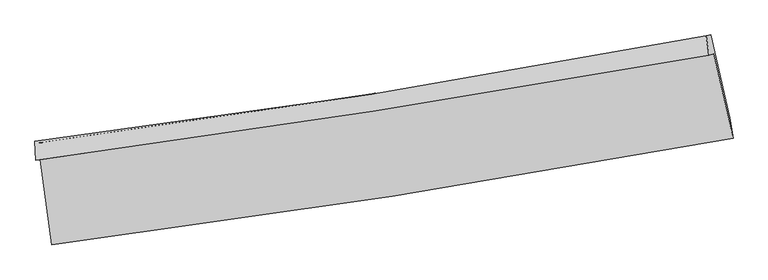
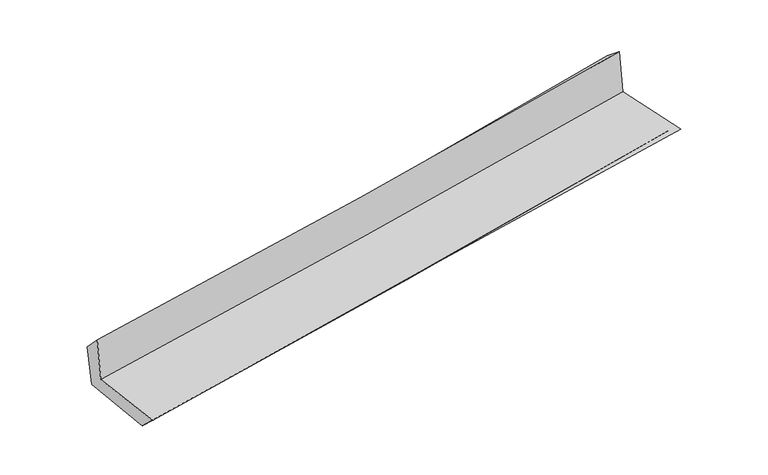
"""IFC4 building model written with IfcOpenShell, lengths in millimetres: proxy geometry."""

from ifc_helpers import new_model, si_unit, frame, origin, place, context, project, spatial, source, transform, mapped, element, save
from ifc_brep_helpers import plane_surface, spline_curve, spline_surface, advanced_brep


def generic_models_551c6da7(model_context):
    return source(origin(), model_context, "Body", "AdvancedBrep", [
        advanced_brep(
        [(-2602.8360463, -1898.8376894, 1677.8763236), (-2514.3932976, -2549.1010179, 1655.9084509), (2693.03676, -1735.7422314, 2101.7194304), (2545.4557271, -1091.5027038, 2118.3327603), (-2638.096118, -1904.9513664, 2070.1648027), (2508.8309741, -1099.5554921, 2517.9562474), (-2643.5088332, -1759.0184638, 1918.1068861), (2486.9532598, -951.7499419, 2397.2408551), (-2608.8428904, -1768.2748594, 1554.4943496), (2521.5008309, -945.7538548, 2024.0502812), (-2520.8071554, -2402.1242618, 1513.229219), (2667.6595369, -1579.6982134, 1997.9734387)],
        [
            (0, 1),
            (1, 2, spline_curve(3, [(-2514.3932976, -2549.1010179, 1655.9084509), (-1646.503839305, -2438.168432815, 1758.002674756), (-778.635424601, -2314.927560355, 1846.19915725), (957.174599994, -2043.811235322, 1994.80650987), (1825.116204757, -1895.932512022, 2055.213686869), (2693.03676, -1735.7422314, 2101.7194304)], [4, 2, 4], [0.0, 8.628535381584344, 17.258216963377876])),
            (2, 3),
            (3, 0, spline_curve(3, [(2545.4557271, -1091.5027038, 2118.3327603), (1689.942521002, -1243.832344106, 2049.739488288), (833.133023955, -1387.27895771, 1978.73555146), (-882.964578358, -1656.388260262, 1831.916098918), (-1742.252339, -1782.053308126, 1756.10122352), (-2602.8360463, -1898.8376894, 1677.8763236)], [4, 2, 4], [0.0, 8.629681581793532, 17.258216963377876])),
            (4, 0),
            (3, 5),
            (5, 4, spline_curve(3, [(2508.8309741, -1099.5554921, 2517.9562474), (1653.994838298, -1250.910370596, 2442.169842257), (797.637592197, -1393.708021951, 2366.958245693), (-918.005175807, -1662.171040344, 2217.694583616), (-1777.290293896, -1787.838680441, 2143.642365016), (-2638.096118, -1904.9513664, 2070.1648027)], [4, 2, 4], [0.0, 8.57922616796624, 17.15731283724586])),
            (6, 4),
            (5, 7),
            (7, 6, spline_curve(3, [(2486.9532598, -951.7499419, 2397.2408551), (1637.360166813, -1114.634000986, 2315.09162483), (784.996533962, -1263.351934456, 2234.086603134), (-925.158233056, -1532.437679081, 2074.375584234), (-1782.948631033, -1652.809252866, 1995.669282804), (-2643.5088332, -1759.0184638, 1918.1068861)], [4, 2, 4], [0.0, 8.568012179764708, 17.134886350292376])),
            (8, 6),
            (7, 9),
            (9, 8, spline_curve(3, [(2521.5008309, -945.7538548, 2024.0502812), (1671.200798446, -1106.122736081, 1943.718505077), (818.493584388, -1254.854373032, 1864.420425881), (-891.621628509, -1529.024950397, 1707.902056848), (-1749.028988653, -1654.466981284, 1630.681492084), (-2608.8428904, -1768.2748594, 1554.4943496)], [4, 2, 4], [0.0, 8.558676862611545, 17.11621695590926])),
            (10, 8),
            (9, 11),
            (11, 10, spline_curve(3, [(2667.6595369, -1579.6982134, 1997.9734387), (1804.405910467, -1734.431762749, 1921.760423791), (940.378105269, -1880.338007207, 1843.255729571), (-789.110997678, -2154.477678475, 1681.673714258), (-1654.572090227, -2282.71345038, 1598.597001897), (-2520.8071554, -2402.1242618, 1513.229219)], [4, 2, 4], [0.0, 8.607299819061074, 17.21345641067399])),
            (1, 10),
            (11, 2),
        ],
        [
            spline_surface(3, 3, [[(-2602.8360463, -1898.8376894, 1677.8763236), (-1742.252338958, -1782.053308159, 1756.10122355), (-882.964578271, -1656.388260162, 1831.916098912), (833.133023868, -1387.27895781, 1978.735551465), (1689.942520954, -1243.832343997, 2049.739488356), (2545.4557271, -1091.5027038, 2118.3327603)], [(-2573.355130052, -2115.592132222, 1670.553699375), (-1710.336172384, -2000.758349685, 1756.73504062), (-848.188193746, -1875.901360239, 1836.677118385), (874.480215943, -1606.12305025, 1984.092537541), (1735.000415539, -1461.199066683, 2051.564221224), (2594.649404732, -1306.249213014, 2112.794983662)], [(-2543.874213848, -2332.346575078, 1663.231075125), (-1678.420005855, -2219.463391245, 1757.368857664), (-813.411809222, -2095.414460392, 1841.438137907), (915.827408016, -1824.967142768, 1989.449523665), (1780.058310129, -1678.565789329, 2053.388954107), (2643.843082368, -1520.995722186, 2107.257207038)], [(-2514.3932976, -2549.1010179, 1655.9084509), (-1646.503839281, -2438.168432771, 1758.002674734), (-778.635424697, -2314.927560469, 1846.19915738), (957.174600091, -2043.811235208, 1994.806509741), (1825.116204714, -1895.932512015, 2055.213686975), (2693.03676, -1735.7422314, 2101.7194304)]], [4, 4], [4, 2, 4], [0.0, 2.190122404722919], [0.0, 8.628535381584344, 17.258216963377876]),
            spline_surface(3, 3, [[(-2638.096118, -1904.9513664, 2070.1648027), (-1777.290293907, -1787.838680447, 2143.64236513), (-918.005175844, -1662.171040356, 2217.69458354), (797.637592234, -1393.708021939, 2366.958245769), (1653.994838201, -1250.910370569, 2442.169842235), (2508.8309741, -1099.5554921, 2517.9562474)], [(-2626.34276076, -1902.913474083, 1939.401976348), (-1765.610975584, -1785.910223035, 2014.461984617), (-906.324976658, -1660.243446978, 2089.101755335), (809.469402774, -1391.565000583, 2237.550681006), (1665.977399137, -1248.551028354, 2311.359724267), (2521.039225118, -1096.871229309, 2384.748418359)], [(-2614.58940354, -1900.875581717, 1808.639149952), (-1753.931657281, -1783.981765572, 1885.281604062), (-894.644777457, -1658.31585354, 1960.508927117), (821.301213329, -1389.421979166, 2108.143116229), (1677.959960018, -1246.191686212, 2180.549606324), (2533.247476082, -1094.186966591, 2251.540589341)], [(-2602.8360463, -1898.8376894, 1677.8763236), (-1742.252338958, -1782.053308159, 1756.10122355), (-882.964578271, -1656.388260162, 1831.916098912), (833.133023868, -1387.27895781, 1978.735551465), (1689.942520954, -1243.832343997, 2049.739488356), (2545.4557271, -1091.5027038, 2118.3327603)]], [4, 4], [4, 2, 4], [0.0, 1.2751063485039762], [0.0, 8.578086669279621, 17.15731283724586]),
            spline_surface(3, 3, [[(-2643.5088332, -1759.0184638, 1918.1068861), (-1782.948631014, -1652.809252771, 1995.669282805), (-925.158233014, -1532.437678989, 2074.375584138), (784.99653392, -1263.351934547, 2234.086603229), (1637.360166895, -1114.634001032, 2315.091624856), (2486.9532598, -951.7499419, 2397.2408551)], [(-2641.704594816, -1807.662764656, 1968.792858298), (-1781.062518661, -1697.819061986, 2044.993643578), (-922.773880622, -1575.682132772, 2122.148583949), (789.210220027, -1306.803963672, 2278.377150753), (1642.905057303, -1160.059457548, 2357.451030639), (2494.245831207, -1001.018458637, 2437.47931919)], [(-2639.900356384, -1856.307065544, 2019.478830502), (-1779.17640626, -1742.828871232, 2094.318004357), (-920.389528236, -1618.926586573, 2169.92158373), (793.423906127, -1350.255992814, 2322.667698246), (1648.449947792, -1205.484914053, 2399.810436451), (2501.538402693, -1050.286975363, 2477.71778331)], [(-2638.096118, -1904.9513664, 2070.1648027), (-1777.290293907, -1787.838680447, 2143.64236513), (-918.005175844, -1662.171040356, 2217.69458354), (797.637592234, -1393.708021939, 2366.958245769), (1653.994838201, -1250.910370569, 2442.169842235), (2508.8309741, -1099.5554921, 2517.9562474)]], [4, 4], [4, 2, 4], [0.0, 0.6231845150700721], [0.0, 8.566874170527669, 17.134886350292376]),
            spline_surface(3, 3, [[(-2608.8428904, -1768.2748594, 1554.4943496), (-1749.028988618, -1654.466981288, 1630.681492013), (-891.621628636, -1529.024950256, 1707.902056711), (818.493584515, -1254.854373173, 1864.420426018), (1671.200798339, -1106.122736028, 1943.718505158), (2521.5008309, -945.7538548, 2024.0502812)], [(-2620.398204669, -1765.189394196, 1675.698528426), (-1760.335536085, -1653.914405112, 1752.344088936), (-902.800496773, -1530.162526505, 1830.059899162), (807.327900972, -1257.686893635, 1987.642485063), (1659.920587888, -1108.959824369, 2067.509545055), (2509.984973897, -947.752550506, 2148.447139165)], [(-2631.953518931, -1762.103929004, 1796.902707274), (-1771.642083547, -1653.361828948, 1874.006685882), (-913.979364877, -1531.300102741, 1952.217741688), (796.162217463, -1260.519414085, 2110.864544184), (1648.640377346, -1111.796912691, 2191.300584958), (2498.469116803, -949.751246194, 2272.843997135)], [(-2643.5088332, -1759.0184638, 1918.1068861), (-1782.948631014, -1652.809252771, 1995.669282805), (-925.158233014, -1532.437678989, 2074.375584138), (784.99653392, -1263.351934547, 2234.086603229), (1637.360166895, -1114.634001032, 2315.091624856), (2486.9532598, -951.7499419, 2397.2408551)]], [4, 4], [4, 2, 4], [0.0, 1.2127327118249598], [0.0, 8.557540093297714, 17.11621695590926]),
            spline_surface(3, 3, [[(-2520.8071554, -2402.1242618, 1513.229219), (-1654.572090177, -2282.713450376, 1598.597001842), (-789.110997736, -2154.477678541, 1681.673714259), (940.378105327, -1880.33800714, 1843.25572957), (1804.40591034, -1734.43176286, 1921.760423679), (2667.6595369, -1579.6982134, 1997.9734387)], [(-2550.15240039, -2190.84112768, 1526.984262537), (-1686.05772298, -2073.297960694, 1609.291831902), (-823.281208046, -1945.993435775, 1690.416495106), (899.749931713, -1671.84346248, 1850.310628416), (1760.004206341, -1524.995420594, 1929.07978417), (2618.939968234, -1368.383427211, 2006.665719531)], [(-2579.49764541, -1979.55799352, 1540.739306063), (-1717.543355815, -1863.882470971, 1619.986661952), (-857.451418326, -1737.509193022, 1699.159275864), (859.121758129, -1463.348917833, 1857.365527172), (1715.602502339, -1315.559078294, 1936.399144667), (2570.220399566, -1157.068640989, 2015.358000369)], [(-2608.8428904, -1768.2748594, 1554.4943496), (-1749.028988618, -1654.466981288, 1630.681492013), (-891.621628636, -1529.024950256, 1707.902056711), (818.493584515, -1254.854373173, 1864.420426018), (1671.200798339, -1106.122736028, 1943.718505158), (2521.5008309, -945.7538548, 2024.0502812)]], [4, 4], [4, 2, 4], [0.0, 2.0862647605965017], [0.0, 8.606156591612917, 17.21345641067399]),
            spline_surface(3, 3, [[(-2514.3932976, -2549.1010179, 1655.9084509), (-1646.503839281, -2438.168432771, 1758.002674734), (-778.635424697, -2314.927560469, 1846.19915738), (957.174600091, -2043.811235208, 1994.806509741), (1825.116204714, -1895.932512015, 2055.213686975), (2693.03676, -1735.7422314, 2101.7194304)], [(-2516.531250214, -2500.108765862, 1608.348706916), (-1649.19325626, -2386.350105302, 1704.86745042), (-782.127282353, -2261.444266505, 1791.357343003), (951.575768527, -1989.320159197, 1944.289583014), (1818.212773235, -1842.098928953, 2010.729265903), (2684.577685612, -1683.727558723, 2067.137433193)], [(-2518.669202786, -2451.116513838, 1560.788962984), (-1651.882673197, -2334.531777845, 1651.732226156), (-785.61914008, -2207.960972505, 1736.515528636), (945.976936891, -1934.829083151, 1893.772656297), (1811.30934182, -1788.265345923, 1966.244844752), (2676.118611288, -1631.712886077, 2032.555435907)], [(-2520.8071554, -2402.1242618, 1513.229219), (-1654.572090177, -2282.713450376, 1598.597001842), (-789.110997736, -2154.477678541, 1681.673714259), (940.378105327, -1880.33800714, 1843.25572957), (1804.40591034, -1734.43176286, 1921.760423679), (2667.6595369, -1579.6982134, 1997.9734387)]], [4, 4], [4, 2, 4], [0.0, 0.7437696278833471], [0.0, 8.66598883793381, 17.33312885133131]),
            plane_surface(frame((2570.5728481, -1234.0004062, 2192.8788355), z_axis=(0.9710095838606858, 0.22002763102227607, 0.09342499471460108), x_axis=(-0.0921676015822474, -0.015996637463222767, 0.995615006319434))),
            plane_surface(frame((-2588.0807235, -2047.0512765, 1731.6300053), z_axis=(-0.9871908297012546, -0.1312017791669684, -0.09077642258412078), x_axis=(-0.1346943861142197, 0.9903222263313358, 0.03345609635716692))),
        ],
        [
            (0, [[1, 2, 3, 4]]),
            (1, [[5, -4, 6, 7]]),
            (2, [[8, -7, 9, 10]]),
            (3, [[11, -10, 12, 13]]),
            (4, [[14, -13, 15, 16]]),
            (5, [[17, -16, 18, -2]]),
            (6, [[-12, -9, -6, -3, -18, -15]]),
            (7, [[-1, -5, -8, -11, -14, -17]]),
        ],
    ),
    ])


if __name__ == "__main__":
    model = new_model("IFC4")
    model_context = context("Model", 3, world=origin())
    ifc_project = project(units=[si_unit("LENGTHUNIT", "METRE", prefix="MILLI")], contexts=[model_context])
    site = spatial("IfcSite", under=ifc_project)
    building = spatial("IfcBuilding", under=site)
    placement = place(None, origin())
    generic_models_shape = generic_models_551c6da7(model_context)
    element("IfcBuildingElementProxy", 1, Name="Generic Models", at=placement, inside=building, context=model_context, shape_type="MappedRepresentation", body=[
        mapped(generic_models_shape, transform((0.0, 0.0, 0.0), x_axis=(1.0, 0.0, 0.0), y_axis=(0.0, 1.0, 0.0), z_axis=(0.0, 0.0, 1.0))),
    ])
    save(model, "model.ifc")
